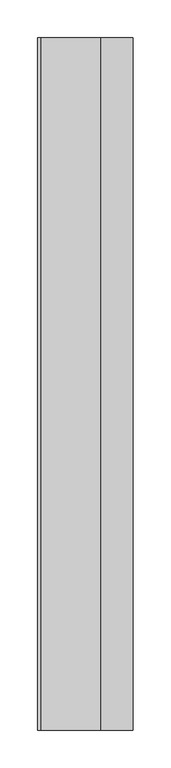
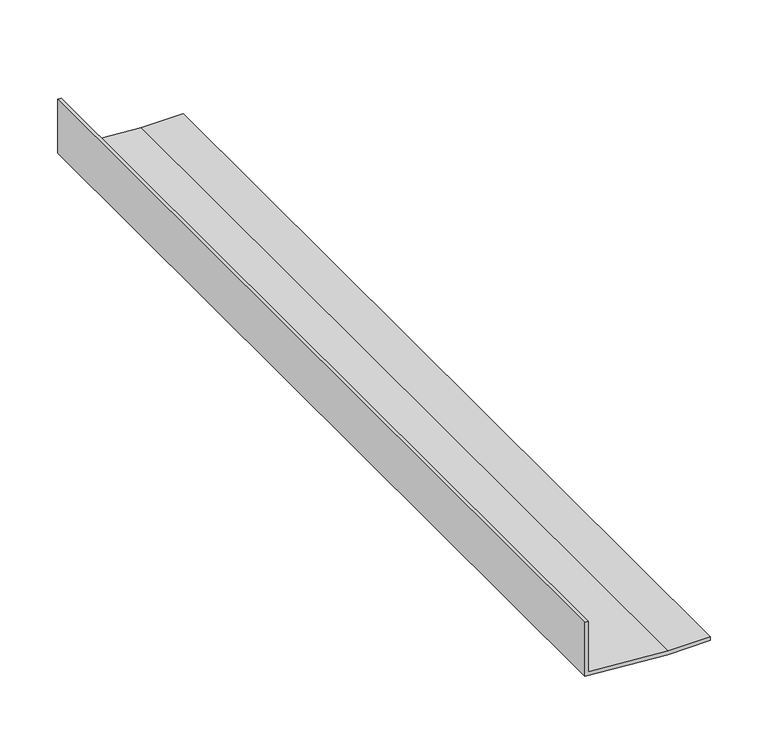
"""IFC4 building model written with IfcOpenShell, lengths in millimetres: proxy geometry."""

from ifc_helpers import new_model, si_unit, frame, origin, place, context, project, spatial, polyline, outline, extrude, source, transform, mapped, element, save


def generic_models_1a5c0591(model_context):
    return source(origin(), model_context, "Body", "SweptSolid", [
        extrude(outline(polyline([(5654.0535082, 37919.3886519), (5659.8519116, 37839.5609257), (5713.6625977, 37839.5609257), (5713.6625977, 37835.7569293), (5656.3142021, 37835.7569293), (5650.2495117, 37919.2506793), (5650.2495117, 37961.8014605), (5654.0535082, 37961.8014605), (5654.0535082, 37919.3886519)])), frame((0.0, -24891.5529893, 0.0), z_axis=(0.0, 1.0, 0.0), x_axis=(0.0, 0.0, 1.0)), (0.0, 0.0, 1.0), 914.4),
    ])


if __name__ == "__main__":
    model = new_model("IFC4")
    model_context = context("Model", 3, world=origin())
    ifc_project = project(units=[si_unit("LENGTHUNIT", "METRE", prefix="MILLI")], contexts=[model_context])
    site = spatial("IfcSite", under=ifc_project)
    building = spatial("IfcBuilding", under=site)
    placement = place(None, origin())
    generic_models_shape = generic_models_1a5c0591(model_context)
    element("IfcBuildingElementProxy", 1, Name="Generic Models", at=placement, inside=building, context=model_context, shape_type="MappedRepresentation", body=[
        mapped(generic_models_shape, transform((0.0, 0.0, 0.0), x_axis=(1.0, 0.0, 0.0), y_axis=(0.0, 1.0, 0.0), z_axis=(0.0, 0.0, 1.0))),
    ])
    save(model, "model.ifc")
